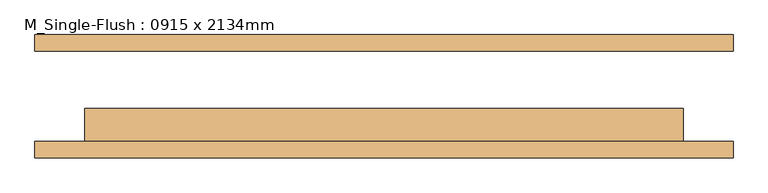
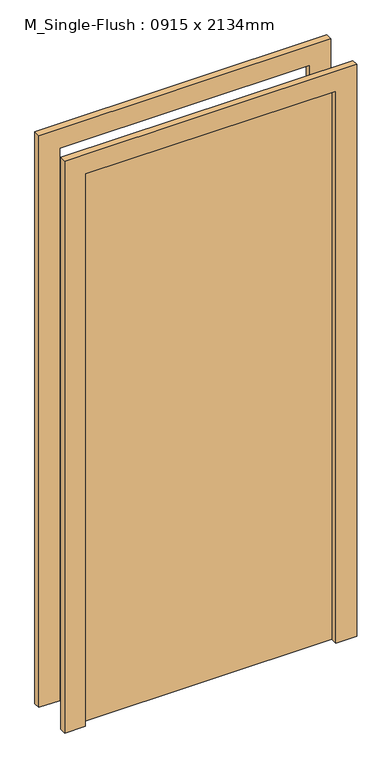
"""IFC4 building model written with IfcOpenShell, lengths in millimetres: door geometry, M_Single-Flush : 0915 x 2134mm."""

from ifc_helpers import new_model, si_unit, frame, origin, origin_with_axes, place, context, project, spatial, polyline, outline, extrude, source, transform, mapped, element, save


def m_single_flush_0915_x_2134mm_421da49b(model_context):
    return source(origin(), model_context, "Body", "SweptSolid", [
        extrude(outline(polyline([(2210.0, -533.5), (0.0, -533.5), (0.0, -457.5), (2134.0, -457.5), (2134.0, 457.5), (0.0, 457.5), (0.0, 533.5), (2210.0, 533.5), (2210.0, -533.5)])), frame((0.0, -94.25, 0.0), z_axis=(0.0, 1.0, 0.0), x_axis=(0.0, 0.0, 1.0)), (0.0, 0.0, 1.0), 25.0),
        extrude(outline(polyline([(2210.0, 533.5), (2210.0, -533.5), (0.0, -533.5), (0.0, -457.5), (2134.0, -457.5), (2134.0, 457.5), (0.0, 457.5), (0.0, 533.5), (2210.0, 533.5)])), frame((0.0, 69.25, 0.0), z_axis=(0.0, 1.0, 0.0), x_axis=(0.0, 0.0, 1.0)), (0.0, 0.0, 1.0), 25.0),
        extrude(outline(polyline([(457.5, -18.25), (457.5, -69.25), (-457.5, -69.25), (-457.5, -18.25), (457.5, -18.25)])), origin_with_axes(), (0.0, 0.0, 1.0), 2134.0),
    ])


if __name__ == "__main__":
    model = new_model("IFC4")
    model_context = context("Model", 3, world=origin())
    ifc_project = project(units=[si_unit("LENGTHUNIT", "METRE", prefix="MILLI")], contexts=[model_context])
    site = spatial("IfcSite", under=ifc_project)
    building = spatial("IfcBuilding", under=site)
    placement = place(None, origin())
    m_single_flush_0915_x_2134mm_shape = m_single_flush_0915_x_2134mm_421da49b(model_context)
    element("IfcDoor", 1, ObjectType="M_Single-Flush : 0915 x 2134mm", at=placement, inside=building, context=model_context, shape_type="MappedRepresentation", body=[
        mapped(m_single_flush_0915_x_2134mm_shape, transform((0.0, 0.0, 0.0), x_axis=(1.0, 0.0, 0.0), y_axis=(0.0, 1.0, 0.0), z_axis=(0.0, 0.0, 1.0))),
    ])
    save(model, "model.ifc")
